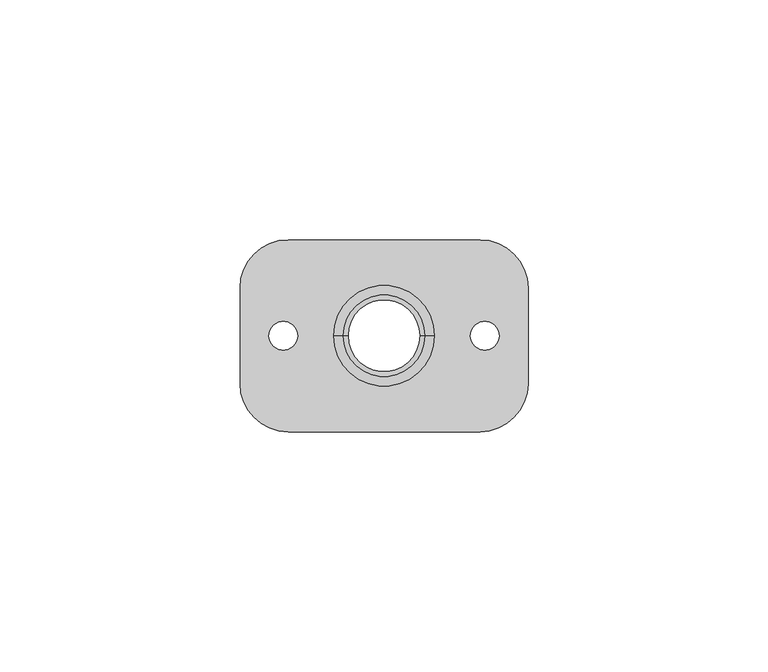
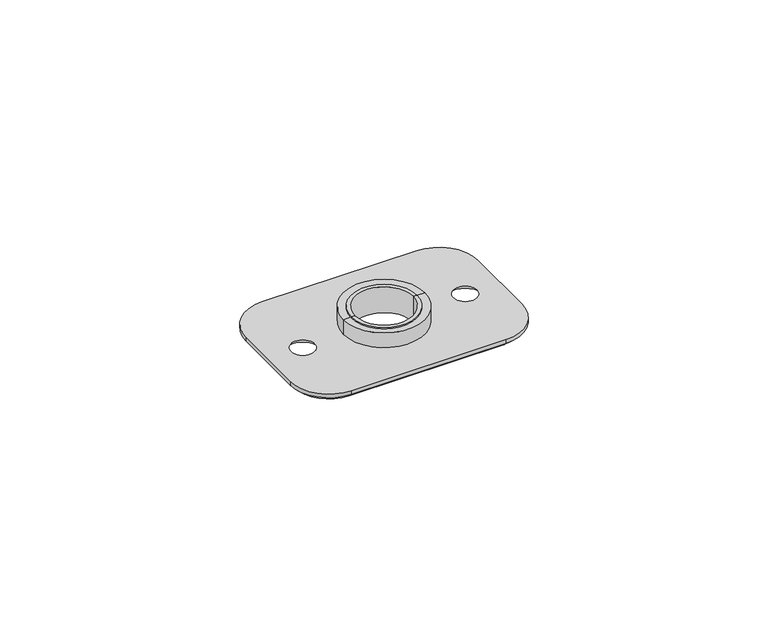
"""IFC4 building model written with IfcOpenShell, lengths in millimetres: proxy geometry."""

from ifc_helpers import new_model, si_unit, frame, origin, place, context, project, spatial, polyline, circle_curve, source, transform, mapped, element, save
from ifc_brep_helpers import plane_surface, cylinder_surface, revolved_surface, advanced_brep


def generic_models_60ff9bbb(model_context):
    return source(origin(), model_context, "Body", "AdvancedBrep", [
        advanced_brep(
        [(8.5, 0.0, -2.0), (-8.5, 0.0, -2.0), (-8.5, 0.0, 4.0), (8.5, 0.0, 4.0), (9.5, 0.0, -2.0), (-9.5, 0.0, -2.0), (9.5, 0.0, -3.0), (-9.5, 0.0, -3.0), (7.5, 0.0, -3.0), (-7.5, 0.0, -3.0), (7.5, 0.0, 4.0), (-7.5, 0.0, 4.0)],
        [
            (0, 1, circle_curve(frame((0.0, 0.0, -2.0), z_axis=(0.0, 0.0, 1.0), x_axis=(-1.0, 0.0, 0.0)), 8.5)),
            (1, 2),
            (2, 3, circle_curve(frame((0.0, 0.0, 4.0), z_axis=(0.0, 0.0, -1.0), x_axis=(-1.0, 0.0, 0.0)), 8.5)),
            (3, 0),
            (1, 0, circle_curve(frame((0.0, 0.0, -2.0), z_axis=(0.0, 0.0, 1.0), x_axis=(-1.0, 0.0, 0.0)), 8.5)),
            (3, 2, circle_curve(frame((0.0, 0.0, 4.0), z_axis=(0.0, 0.0, -1.0), x_axis=(-1.0, 0.0, 0.0)), 8.5)),
            (4, 5, circle_curve(frame((0.0, 0.0, -2.0), z_axis=(0.0, 0.0, 1.0), x_axis=(-1.0, 0.0, 0.0)), 9.5)),
            (5, 1),
            (0, 4),
            (5, 4, circle_curve(frame((0.0, 0.0, -2.0), z_axis=(0.0, 0.0, 1.0), x_axis=(-1.0, 0.0, 0.0)), 9.5)),
            (6, 7, circle_curve(frame((0.0, 0.0, -3.0), z_axis=(0.0, 0.0, 1.0), x_axis=(-1.0, 0.0, 0.0)), 9.5)),
            (7, 5),
            (4, 6),
            (7, 6, circle_curve(frame((0.0, 0.0, -3.0), z_axis=(0.0, 0.0, 1.0), x_axis=(-1.0, 0.0, 0.0)), 9.5)),
            (8, 9, circle_curve(frame((0.0, 0.0, -3.0), z_axis=(0.0, 0.0, 1.0), x_axis=(-1.0, 0.0, 0.0)), 7.5)),
            (9, 7),
            (6, 8),
            (9, 8, circle_curve(frame((0.0, 0.0, -3.0), z_axis=(0.0, 0.0, 1.0), x_axis=(-1.0, 0.0, 0.0)), 7.5)),
            (10, 11, circle_curve(frame((0.0, 0.0, 4.0), z_axis=(0.0, 0.0, 1.0), x_axis=(-1.0, 0.0, 0.0)), 7.5)),
            (11, 9),
            (8, 10),
            (11, 10, circle_curve(frame((0.0, 0.0, 4.0), z_axis=(0.0, 0.0, 1.0), x_axis=(-1.0, 0.0, 0.0)), 7.5)),
            (2, 11),
            (10, 3),
        ],
        [
            cylinder_surface(frame((0.0, 0.0, 4.5433419), z_axis=(0.0, 0.0, -1.0), x_axis=(-1.0, 0.0, 0.0)), 8.5),
            plane_surface(frame((0.0, 0.0, -2.0), z_axis=(0.0, 0.0, 1.0), x_axis=(-1.0, 0.0, 0.0))),
            cylinder_surface(frame((0.0, 0.0, 4.5433419), z_axis=(0.0, 0.0, -1.0), x_axis=(-1.0, 0.0, 0.0)), 9.5),
            plane_surface(frame((0.0, 0.0, -3.0), z_axis=(0.0, 0.0, -1.0), x_axis=(-1.0, 0.0, 0.0))),
            revolved_surface(polyline([(-7.5, 0.0, -3.0), (-7.5, 0.0, 4.0)]), (0.0, 0.0, 4.5433419), (0.0, 0.0, -1.0)),
            plane_surface(frame((0.0, 0.0, 4.0), z_axis=(0.0, 0.0, 1.0), x_axis=(-1.0, 0.0, 0.0))),
        ],
        [
            (0, [[1, 2, 3, 4]]),
            (0, [[5, -4, 6, -2]]),
            (1, [[7, 8, -1, 9]]),
            (1, [[10, -9, -5, -8]]),
            (2, [[11, 12, -7, 13]]),
            (2, [[14, -13, -10, -12]]),
            (3, [[15, 16, -11, 17]]),
            (3, [[18, -17, -14, -16]]),
            (4, [[19, 20, -15, 21]]),
            (4, [[22, -21, -18, -20]]),
            (5, [[-3, 23, -19, 24]]),
            (5, [[-6, -24, -22, -23]]),
        ],
    ),
        advanced_brep(
        [(10.5, 0.0, 4.0), (-10.5, 0.0, 4.0), (-8.5, 0.0, 4.0), (8.5, 0.0, 4.0), (10.5, 0.0, 0.0), (-10.5, 0.0, 0.0), (8.5, 0.0, 0.0), (-8.5, 0.0, 0.0)],
        [
            (0, 1, circle_curve(frame((0.0, 0.0, 4.0), z_axis=(0.0, 0.0, 1.0), x_axis=(-1.0, 0.0, 0.0)), 10.5)),
            (1, 2),
            (2, 3, circle_curve(frame((0.0, 0.0, 4.0), z_axis=(0.0, 0.0, -1.0), x_axis=(-1.0, 0.0, 0.0)), 8.5)),
            (3, 0),
            (1, 0, circle_curve(frame((0.0, 0.0, 4.0), z_axis=(0.0, 0.0, 1.0), x_axis=(-1.0, 0.0, 0.0)), 10.5)),
            (3, 2, circle_curve(frame((0.0, 0.0, 4.0), z_axis=(0.0, 0.0, -1.0), x_axis=(-1.0, 0.0, 0.0)), 8.5)),
            (4, 5, circle_curve(frame((0.0, 0.0, 0.0), z_axis=(0.0, 0.0, 1.0), x_axis=(-1.0, 0.0, 0.0)), 10.5)),
            (5, 1),
            (0, 4),
            (5, 4, circle_curve(frame((0.0, 0.0, 0.0), z_axis=(0.0, 0.0, 1.0), x_axis=(-1.0, 0.0, 0.0)), 10.5)),
            (6, 7, circle_curve(frame((0.0, 0.0, 0.0), z_axis=(0.0, 0.0, 1.0), x_axis=(-1.0, 0.0, 0.0)), 8.5)),
            (7, 5),
            (4, 6),
            (7, 6, circle_curve(frame((0.0, 0.0, 0.0), z_axis=(0.0, 0.0, 1.0), x_axis=(-1.0, 0.0, 0.0)), 8.5)),
            (2, 7),
            (6, 3),
        ],
        [
            plane_surface(frame((0.0, 0.0, 4.0), z_axis=(0.0, 0.0, 1.0), x_axis=(-1.0, 0.0, 0.0))),
            cylinder_surface(frame((0.0, 0.0, 18.1598968), z_axis=(0.0, 0.0, -1.0), x_axis=(-1.0, 0.0, 0.0)), 10.5),
            plane_surface(frame((0.0, 0.0, 0.0), z_axis=(0.0, 0.0, -1.0), x_axis=(-1.0, 0.0, 0.0))),
            revolved_surface(polyline([(-8.5, 0.0, 0.0), (-8.5, 0.0, 4.0)]), (0.0, 0.0, 18.1598968), (0.0, 0.0, -1.0)),
        ],
        [
            (0, [[1, 2, 3, 4]]),
            (0, [[5, -4, 6, -2]]),
            (1, [[7, 8, -1, 9]]),
            (1, [[10, -9, -5, -8]]),
            (2, [[11, 12, -7, 13]]),
            (2, [[14, -13, -10, -12]]),
            (3, [[-3, 15, -11, 16]]),
            (3, [[-6, -16, -14, -15]]),
        ],
    ),
        advanced_brep(
        [(20.0, -20.0, 0.0), (30.0, -10.0, 0.0), (30.0, 10.0, 0.0), (20.0, 20.0, 0.0), (-20.0, 20.0, 0.0), (-30.0, 10.0, 0.0), (-30.0, -10.0, 0.0), (-20.0, -20.0, 0.0), (8.5, 0.0, 0.0), (-8.5, 0.0, 0.0), (-24.0, 0.0, 0.0), (-18.0, 0.0, 0.0), (18.0, 0.0, 0.0), (24.0, 0.0, 0.0), (-29.0, 10.0, -2.0), (-20.0, 19.0, -2.0), (20.0, 19.0, -2.0), (29.0, 10.0, -2.0), (29.0, -10.0, -2.0), (20.0, -19.0, -2.0), (-20.0, -19.0, -2.0), (-29.0, -10.0, -2.0), (-8.5, 0.0, -2.0), (8.5, 0.0, -2.0), (-16.0, 0.0, -2.0), (-26.0, 0.0, -2.0), (26.0, 0.0, -2.0), (16.0, 0.0, -2.0), (20.0, -20.0, -1.0), (30.0, -10.0, -1.0), (30.0, 10.0, -1.0), (20.0, 20.0, -1.0), (-20.0, 20.0, -1.0), (-30.0, 10.0, -1.0), (-30.0, -10.0, -1.0), (-20.0, -20.0, -1.0)],
        [
            (0, 1, circle_curve(frame((20.0, -10.0, 0.0), z_axis=(0.0, 0.0, 1.0), x_axis=(1.0, 0.0, 0.0)), 10.0)),
            (1, 2),
            (2, 3, circle_curve(frame((20.0, 10.0, 0.0), z_axis=(0.0, 0.0, 1.0), x_axis=(1.0, 0.0, 0.0)), 10.0)),
            (3, 4),
            (4, 5, circle_curve(frame((-20.0, 10.0, 0.0), z_axis=(0.0, 0.0, 1.0), x_axis=(1.0, 0.0, 0.0)), 10.0)),
            (5, 6),
            (6, 7, circle_curve(frame((-20.0, -10.0, 0.0), z_axis=(0.0, 0.0, 1.0), x_axis=(1.0, 0.0, 0.0)), 10.0)),
            (7, 0),
            (8, 9, circle_curve(frame((0.0, 0.0, 0.0), z_axis=(0.0, 0.0, -1.0), x_axis=(1.0, 0.0, 0.0)), 8.5)),
            (9, 8, circle_curve(frame((0.0, 0.0, 0.0), z_axis=(0.0, 0.0, -1.0), x_axis=(1.0, 0.0, 0.0)), 8.5)),
            (10, 11, circle_curve(frame((-21.0, 0.0, 0.0), z_axis=(0.0, 0.0, -1.0), x_axis=(-1.0, 0.0, 0.0)), 3.0)),
            (11, 10, circle_curve(frame((-21.0, 0.0, 0.0), z_axis=(0.0, 0.0, -1.0), x_axis=(-1.0, 0.0, 0.0)), 3.0)),
            (12, 13, circle_curve(frame((21.0, 0.0, 0.0), z_axis=(0.0, 0.0, -1.0), x_axis=(1.0, 0.0, 0.0)), 3.0)),
            (13, 12, circle_curve(frame((21.0, 0.0, 0.0), z_axis=(0.0, 0.0, -1.0), x_axis=(1.0, 0.0, 0.0)), 3.0)),
            (14, 15, circle_curve(frame((-20.0, 10.0, -2.0), z_axis=(0.0, 0.0, -1.0), x_axis=(-1.0, 0.0, 0.0)), 9.0)),
            (15, 16),
            (16, 17, circle_curve(frame((20.0, 10.0, -2.0), z_axis=(0.0, 0.0, -1.0), x_axis=(0.0, 1.0, 0.0)), 9.0)),
            (17, 18),
            (18, 19, circle_curve(frame((20.0, -10.0, -2.0), z_axis=(0.0, 0.0, -1.0), x_axis=(1.0, 0.0, 0.0)), 9.0)),
            (19, 20),
            (20, 21, circle_curve(frame((-20.0, -10.0, -2.0), z_axis=(0.0, 0.0, -1.0), x_axis=(0.0, -1.0, 0.0)), 9.0)),
            (21, 14),
            (22, 23, circle_curve(frame((0.0, 0.0, -2.0), z_axis=(0.0, 0.0, 1.0), x_axis=(1.0, 0.0, 0.0)), 8.5)),
            (23, 22, circle_curve(frame((0.0, 0.0, -2.0), z_axis=(0.0, 0.0, 1.0), x_axis=(1.0, 0.0, 0.0)), 8.5)),
            (24, 25, circle_curve(frame((-21.0, 0.0, -2.0), z_axis=(0.0, 0.0, 1.0), x_axis=(-1.0, 0.0, 0.0)), 5.0)),
            (25, 24, circle_curve(frame((-21.0, 0.0, -2.0), z_axis=(0.0, 0.0, 1.0), x_axis=(-1.0, 0.0, 0.0)), 5.0)),
            (26, 27, circle_curve(frame((21.0, 0.0, -2.0), z_axis=(0.0, 0.0, 1.0), x_axis=(1.0, 0.0, 0.0)), 5.0)),
            (27, 26, circle_curve(frame((21.0, 0.0, -2.0), z_axis=(0.0, 0.0, 1.0), x_axis=(1.0, 0.0, 0.0)), 5.0)),
            (0, 28),
            (28, 29, circle_curve(frame((20.0, -10.0, -1.0), z_axis=(0.0, 0.0, 1.0), x_axis=(1.0, 0.0, 0.0)), 10.0)),
            (29, 1),
            (29, 30),
            (30, 2),
            (30, 31, circle_curve(frame((20.0, 10.0, -1.0), z_axis=(0.0, 0.0, 1.0), x_axis=(1.0, 0.0, 0.0)), 10.0)),
            (31, 3),
            (31, 32),
            (32, 4),
            (32, 33, circle_curve(frame((-20.0, 10.0, -1.0), z_axis=(0.0, 0.0, 1.0), x_axis=(1.0, 0.0, 0.0)), 10.0)),
            (33, 5),
            (33, 34),
            (34, 6),
            (34, 35, circle_curve(frame((-20.0, -10.0, -1.0), z_axis=(0.0, 0.0, 1.0), x_axis=(1.0, 0.0, 0.0)), 10.0)),
            (35, 7),
            (35, 28),
            (8, 23),
            (22, 9),
            (24, 11),
            (10, 25),
            (12, 27),
            (26, 13),
            (32, 15),
            (14, 33),
            (31, 16),
            (30, 17),
            (29, 18),
            (28, 19),
            (35, 20),
            (34, 21),
        ],
        [
            plane_surface(frame((30.0, -10.0, 0.0), z_axis=(0.0, 0.0, 1.0), x_axis=(0.0, 1.0, 0.0))),
            plane_surface(frame((30.0, -10.0, -2.0), z_axis=(0.0, 0.0, -1.0), x_axis=(0.0, -1.0, 0.0))),
            cylinder_surface(frame((20.0, -10.0, -2.0), z_axis=(0.0, 0.0, 1.0), x_axis=(1.0, 0.0, 0.0)), 10.0),
            plane_surface(frame((30.0, -10.0, 0.0), z_axis=(1.0, 0.0, 0.0), x_axis=(0.0, 0.0, -1.0))),
            cylinder_surface(frame((20.0, 10.0, -2.0), z_axis=(0.0, 0.0, 1.0), x_axis=(1.0, 0.0, 0.0)), 10.0),
            plane_surface(frame((20.0, 20.0, 0.0), z_axis=(0.0, 1.0, 0.0), x_axis=(0.0, 0.0, -1.0))),
            cylinder_surface(frame((-20.0, 10.0, -2.0), z_axis=(0.0, 0.0, 1.0), x_axis=(1.0, 0.0, 0.0)), 10.0),
            plane_surface(frame((-30.0, 10.0, 0.0), z_axis=(-1.0, 0.0, 0.0), x_axis=(0.0, 0.0, -1.0))),
            cylinder_surface(frame((-20.0, -10.0, -2.0), z_axis=(0.0, 0.0, 1.0), x_axis=(1.0, 0.0, 0.0)), 10.0),
            plane_surface(frame((-20.0, -20.0, 0.0), z_axis=(0.0, -1.0, 0.0), x_axis=(0.0, 0.0, -1.0))),
            revolved_surface(polyline([(8.5, 0.0, 0.0), (8.5, 0.0, -2.0)]), (0.0, 0.0, -2.0), (0.0, 0.0, 1.0)),
            revolved_surface(polyline([(-26.0, 0.0, -2.0), (-24.0, 0.0, 0.0)]), (-21.0, 0.0, 0.0), (0.0, 0.0, -1.0)),
            revolved_surface(polyline([(24.0, 0.0, 0.0), (26.0, 0.0, -2.0)]), (21.0, 0.0, 0.0), (0.0, 0.0, 1.0)),
            revolved_surface(polyline([(-30.0, 10.0, -1.0), (-29.0, 10.0, -2.0)]), (-20.0, 10.0, -2.0), (0.0, 0.0, -1.0)),
            plane_surface(frame((-20.0, 19.0, -2.0), z_axis=(0.0, 0.7071067811865468, -0.7071067811865483), x_axis=(1.0, 0.0, 0.0))),
            revolved_surface(polyline([(20.0, 20.0, -1.0), (20.0, 19.0, -2.0)]), (20.0, 10.0, -2.0), (0.0, 0.0, -1.0)),
            plane_surface(frame((29.0, 10.0, -2.0), z_axis=(0.7071067811865468, 0.0, -0.7071067811865483), x_axis=(0.0, -1.0, 0.0))),
            revolved_surface(polyline([(30.0, -10.0, -1.0), (29.0, -10.0, -2.0)]), (20.0, -10.0, -2.0), (0.0, 0.0, -1.0)),
            plane_surface(frame((20.0, -19.0, -2.0), z_axis=(0.0, -0.7071067811865468, -0.7071067811865483), x_axis=(-1.0, 0.0, 0.0))),
            revolved_surface(polyline([(-20.0, -20.0, -1.0), (-20.0, -19.0, -2.0)]), (-20.0, -10.0, -2.0), (0.0, 0.0, -1.0)),
            plane_surface(frame((-29.0, -10.0, -2.0), z_axis=(-0.7071067811865468, 0.0, -0.7071067811865483), x_axis=(0.0, 1.0, 0.0))),
        ],
        [
            (0, [[1, 2, 3, 4, 5, 6, 7, 8], [9, 10], [11, 12], [13, 14]]),
            (1, [[15, 16, 17, 18, 19, 20, 21, 22], [23, 24], [25, 26], [27, 28]]),
            (2, [[-1, 29, 30, 31]]),
            (3, [[-2, -31, 32, 33]]),
            (4, [[-3, -33, 34, 35]]),
            (5, [[-4, -35, 36, 37]]),
            (6, [[-5, -37, 38, 39]]),
            (7, [[-6, -39, 40, 41]]),
            (8, [[-7, -41, 42, 43]]),
            (9, [[-8, -43, 44, -29]]),
            (10, [[45, -23, 46, -9]]),
            (10, [[-45, -10, -46, -24]]),
            (11, [[47, -11, 48, -25]]),
            (11, [[-47, -26, -48, -12]]),
            (12, [[49, -27, 50, -13]]),
            (12, [[-49, -14, -50, -28]]),
            (13, [[51, -15, 52, -38]]),
            (14, [[-51, -36, 53, -16]]),
            (15, [[-53, -34, 54, -17]]),
            (16, [[-54, -32, 55, -18]]),
            (17, [[-55, -30, 56, -19]]),
            (18, [[-56, -44, 57, -20]]),
            (19, [[-57, -42, 58, -21]]),
            (20, [[-52, -22, -58, -40]]),
        ],
    ),
    ])


if __name__ == "__main__":
    model = new_model("IFC4")
    model_context = context("Model", 3, world=origin())
    ifc_project = project(units=[si_unit("LENGTHUNIT", "METRE", prefix="MILLI")], contexts=[model_context])
    site = spatial("IfcSite", under=ifc_project)
    building = spatial("IfcBuilding", under=site)
    placement = place(None, origin())
    generic_models_shape = generic_models_60ff9bbb(model_context)
    element("IfcBuildingElementProxy", 1, Name="Generic Models", at=placement, inside=building, context=model_context, shape_type="MappedRepresentation", body=[
        mapped(generic_models_shape, transform((0.0, 0.0, 0.0), x_axis=(1.0, 0.0, 0.0), y_axis=(0.0, 1.0, 0.0), z_axis=(0.0, 0.0, 1.0))),
    ])
    save(model, "model.ifc")
